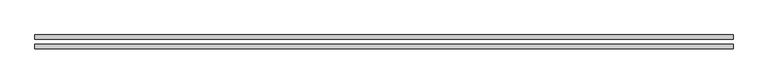
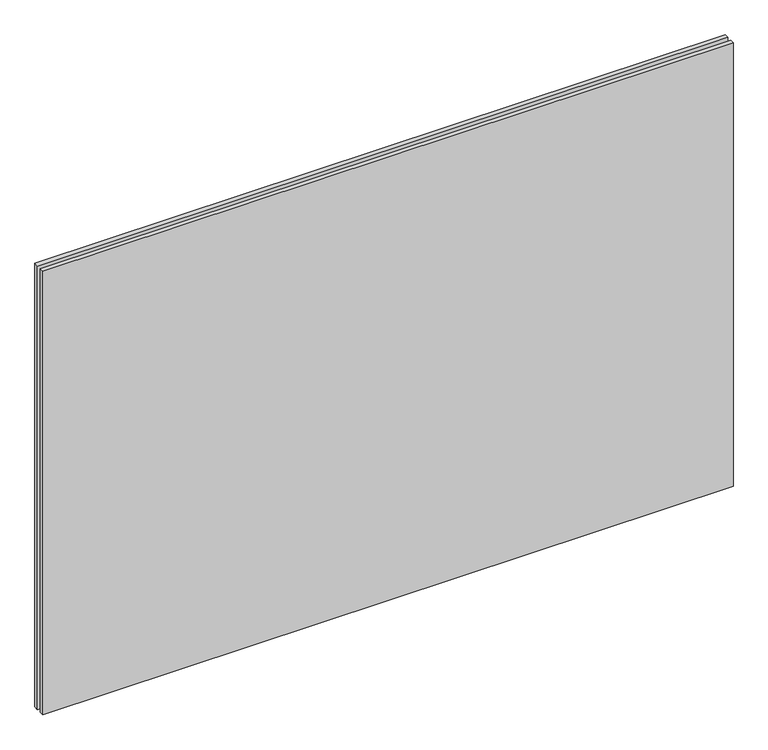
"""IFC4 building model written with IfcOpenShell, lengths in millimetres: plate geometry."""

from ifc_helpers import new_model, si_unit, origin, origin_with_axes, place, context, project, spatial, polyline, outline, extrude, source, transform, mapped, element, save


def plate_ad87cce3(model_context):
    return source(origin(), model_context, "Body", "SweptSolid", [
        extrude(outline(polyline([(623.75, -4.5), (623.75, -12.5), (-623.75, -12.5), (-623.75, -4.5), (623.75, -4.5)])), origin_with_axes(), (0.0, 0.0, 1.0), 847.5),
        extrude(outline(polyline([(623.75, 4.5), (-623.75, 4.5), (-623.75, 12.5), (623.75, 12.5), (623.75, 4.5)])), origin_with_axes(), (0.0, 0.0, 1.0), 847.5),
    ])


if __name__ == "__main__":
    model = new_model("IFC4")
    model_context = context("Model", 3, world=origin())
    ifc_project = project(units=[si_unit("LENGTHUNIT", "METRE", prefix="MILLI")], contexts=[model_context])
    site = spatial("IfcSite", under=ifc_project)
    building = spatial("IfcBuilding", under=site)
    placement = place(None, origin())
    plate_shape = plate_ad87cce3(model_context)
    element("IfcPlate", 1, at=placement, inside=building, context=model_context, shape_type="MappedRepresentation", body=[
        mapped(plate_shape, transform((0.0, 0.0, 0.0), x_axis=(1.0, 0.0, 0.0), y_axis=(0.0, 1.0, 0.0), z_axis=(0.0, 0.0, 1.0))),
    ])
    save(model, "model.ifc")
